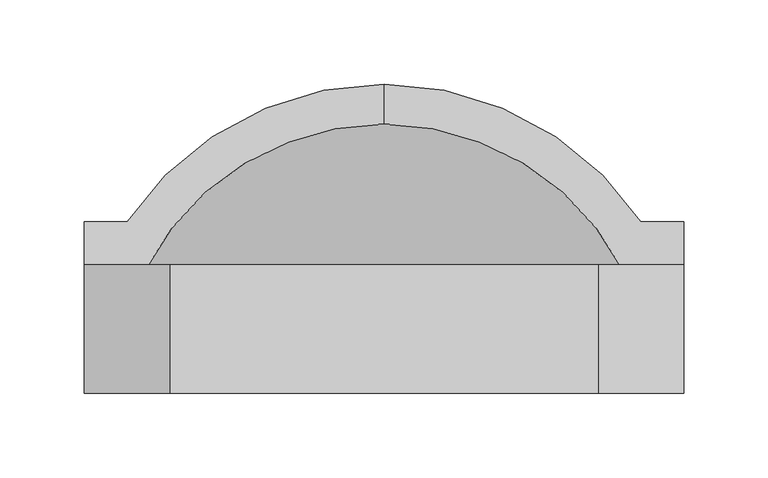
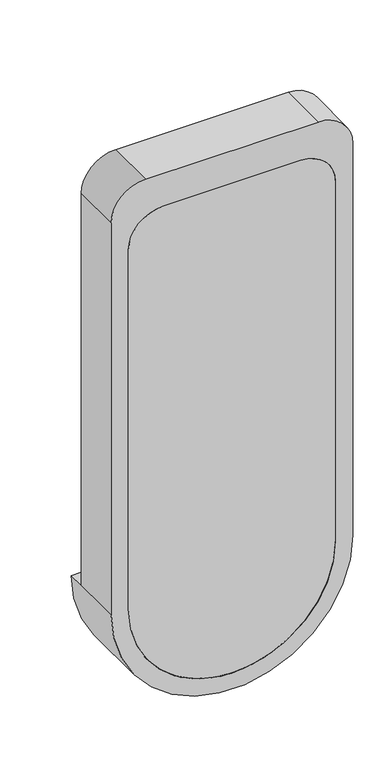
"""IFC4 building model written with IfcOpenShell, lengths in millimetres: flow terminal geometry."""

from ifc_helpers import new_model, si_unit, point, frame, frame_2d, origin, place, context, project, spatial, polyline, circle_curve, ellipse_curve, trimmed, segment, composite_curve, outline, extrude, source, transform, mapped, element, save
from ifc_brep_helpers import plane_surface, cylinder_surface, revolved_surface, advanced_brep


def flow_terminal_01fabb77(model_context):
    return source(origin(), model_context, "Body", "SolidModel", [
        advanced_brep(
        [(-109.0745999, 243.1620048, 610.0), (-109.0745999, 219.4447043, 610.0), (43.3254001, 106.8706063, 610.0), (43.3254001, 136.2, 610.0), (68.7254001, 136.2, 610.0), (68.7254001, 161.6, 610.0), (43.3254001, 161.6, 610.0), (-261.4745999, 161.6, 610.0), (-286.8745999, 161.6, 610.0), (-286.8745999, 136.2, 610.0), (-261.4745999, 136.2, 610.0), (-261.4745999, 106.8706063, 610.0), (-261.4745999, 60.0, 610.0), (43.3254001, 60.0, 610.0), (-286.8745999, 60.0, 610.0), (68.7254001, 60.0, 610.0), (68.7254001, 60.0, 1219.6), (17.9254001, 60.0, 1270.4), (-236.0745999, 60.0, 1270.4), (-286.8745999, 60.0, 1219.6), (-261.4745999, 60.0, 1168.8), (-210.6745999, 60.0, 1219.6), (-7.4745999, 60.0, 1219.6), (43.3254001, 60.0, 1168.8), (43.3254001, 136.2, 1168.8), (-7.4745999, 136.2, 1219.6), (-210.6745999, 136.2, 1219.6), (-261.4745999, 136.2, 1168.8), (-286.8745999, 136.2, 1219.6), (-236.0745999, 136.2, 1270.4), (17.9254001, 136.2, 1270.4), (68.7254001, 136.2, 1219.6)],
        [
            (0, 1),
            (1, 2, circle_curve(frame((-109.0745999, 60.0, 610.0), z_axis=(0.0, 0.0, -1.0), x_axis=(1.0, 0.0, 0.0)), 159.4447043)),
            (2, 3),
            (3, 4),
            (4, 5),
            (5, 6),
            (6, 0, circle_curve(frame((-109.0745999, 60.0, 610.0), z_axis=(0.0, 0.0, 1.0), x_axis=(1.0, 0.0, 0.0)), 183.1620048)),
            (0, 7, circle_curve(frame((-109.0745999, 60.0, 610.0), z_axis=(0.0, 0.0, 1.0), x_axis=(-1.0, 0.0, 0.0)), 183.1620048)),
            (7, 8),
            (8, 9),
            (9, 10),
            (10, 11),
            (11, 1, circle_curve(frame((-109.0745999, 60.0, 610.0), z_axis=(0.0, 0.0, -1.0), x_axis=(-1.0, 0.0, 0.0)), 159.4447043)),
            (11, 2, circle_curve(frame((-109.0745999, 106.8706063, 610.0), z_axis=(0.0, -1.0, 0.0), x_axis=(1.0, 0.0, 0.0)), 152.4)),
            (11, 12),
            (12, 13, circle_curve(frame((-109.0745999, 60.0, 610.0), z_axis=(0.0, -1.0, 0.0), x_axis=(1.0, 0.0, 0.0)), 152.4)),
            (13, 2),
            (14, 15, circle_curve(frame((-109.0745999, 60.0, 610.0), z_axis=(0.0, -1.0, 0.0), x_axis=(1.0, 0.0, 0.0)), 177.8)),
            (15, 16),
            (16, 17, circle_curve(frame((17.9254001, 60.0, 1219.6), z_axis=(0.0, -1.0, 0.0), x_axis=(-1.0, 0.0, 0.0)), 50.8)),
            (17, 18),
            (18, 19, circle_curve(frame((-236.0745999, 60.0, 1219.6), z_axis=(0.0, -1.0, 0.0), x_axis=(-1.0, 0.0, 0.0)), 50.8)),
            (19, 14),
            (12, 20),
            (20, 21, circle_curve(frame((-210.6745999, 60.0, 1168.8), z_axis=(0.0, 1.0, 0.0), x_axis=(-1.0, 0.0, 0.0)), 50.8)),
            (21, 22),
            (22, 23, circle_curve(frame((-7.4745999, 60.0, 1168.8), z_axis=(0.0, 1.0, 0.0), x_axis=(-1.0, 0.0, 0.0)), 50.8)),
            (23, 13),
            (14, 9),
            (8, 5, circle_curve(frame((-109.0745999, 161.6, 610.0), z_axis=(0.0, -1.0, 0.0), x_axis=(1.0, 0.0, 0.0)), 177.8)),
            (4, 15),
            (7, 6, circle_curve(frame((-109.0745999, 161.6, 610.0), z_axis=(0.0, -1.0, 0.0), x_axis=(1.0, 0.0, 0.0)), 152.4)),
            (3, 24),
            (24, 25, circle_curve(frame((-7.4745999, 136.2, 1168.8), z_axis=(0.0, -1.0, 0.0), x_axis=(-1.0, 0.0, 0.0)), 50.8)),
            (25, 26),
            (26, 27, circle_curve(frame((-210.6745999, 136.2, 1168.8), z_axis=(0.0, -1.0, 0.0), x_axis=(-1.0, 0.0, 0.0)), 50.8)),
            (27, 10),
            (9, 28),
            (28, 29, circle_curve(frame((-236.0745999, 136.2, 1219.6), z_axis=(0.0, 1.0, 0.0), x_axis=(-1.0, 0.0, 0.0)), 50.8)),
            (29, 30),
            (30, 31, circle_curve(frame((17.9254001, 136.2, 1219.6), z_axis=(0.0, 1.0, 0.0), x_axis=(-1.0, 0.0, 0.0)), 50.8)),
            (31, 4),
            (23, 24),
            (22, 25),
            (21, 26),
            (20, 27),
            (19, 28),
            (18, 29),
            (17, 30),
            (16, 31),
        ],
        [
            plane_surface(frame((-109.0745999, 349.2104173, 610.0), z_axis=(0.0, 0.0, 1.0), x_axis=(1.0, 0.0, 0.0))),
            plane_surface(frame((-109.0745999, 349.2104173, 610.0), z_axis=(0.0, 0.0, 1.0), x_axis=(-1.0, 0.0, 0.0))),
            revolved_surface(trimmed(ellipse_curve(frame((-109.0745999, 60.0, 610.0), z_axis=(0.0, 0.0, -1.0), x_axis=(1.0, 0.0, 0.0)), 159.4447043, 159.4447043), [point((-109.0745999, 219.4447043, 610.0))], [point((43.3254001, 106.8706063, 610.0))], True, "CARTESIAN"), (-109.0745999, 349.2104173, 610.0), (0.0, 1.0, 0.0)),
            revolved_surface(polyline([(43.32540010000001, 106.87060630000002, 610.0), (43.32540010000001, 60.0, 610.0)]), (-109.0745999, 349.2104173, 610.0), (0.0, 1.0, 0.0)),
            plane_surface(frame((-109.0745999, 60.0, 610.0), z_axis=(0.0, -1.0, 0.0), x_axis=(1.0, 0.0, 0.0))),
            cylinder_surface(frame((-109.0745999, 349.2104173, 610.0), z_axis=(0.0, 1.0, 0.0), x_axis=(1.0, 0.0, 0.0)), 177.8),
            plane_surface(frame((-109.0745999, 161.6, 610.0), z_axis=(0.0, 1.0, 0.0), x_axis=(1.0, 0.0, 0.0))),
            revolved_surface(trimmed(ellipse_curve(frame((-109.0745999, 60.0, 610.0), z_axis=(0.0, 0.0, 1.0), x_axis=(1.0, 0.0, 0.0)), 183.1620048, 183.1620048), [point((43.3254001, 161.6, 610.0))], [point((-109.0745999, 243.1620048, 610.0))], True, "CARTESIAN"), (-109.0745999, 349.2104173, 610.0), (0.0, 1.0, 0.0)),
            plane_surface(frame((43.3254001, 136.2, 610.0), z_axis=(0.0, 1.0, 0.0), x_axis=(0.0, 0.0, 1.0))),
            plane_surface(frame((43.3254001, 136.2, 610.0), z_axis=(-1.0, 0.0, 0.0), x_axis=(0.0, -1.0, 0.0))),
            revolved_surface(polyline([(-58.2745999, 60.0, 1168.8), (-58.2745999, 136.2, 1168.8)]), (-7.4745999, 60.0, 1168.8), (0.0, -1.0, 0.0)),
            plane_surface(frame((-7.4745999, 136.2, 1219.6), z_axis=(0.0, 0.0, -1.0), x_axis=(0.0, -1.0, 0.0))),
            revolved_surface(polyline([(-261.4745999, 60.0, 1168.8), (-261.4745999, 136.2, 1168.8)]), (-210.6745999, 60.0, 1168.8), (0.0, -1.0, 0.0)),
            plane_surface(frame((-261.4745999, 136.2, 1168.8), z_axis=(1.0, 0.0, 0.0), x_axis=(0.0, -1.0, 0.0))),
            plane_surface(frame((-286.8745999, 136.2, 610.0), z_axis=(-1.0, 0.0, 0.0), x_axis=(0.0, -1.0, 0.0))),
            cylinder_surface(frame((-236.0745999, 60.0, 1219.6), z_axis=(0.0, 1.0, 0.0), x_axis=(-1.0, 0.0, 0.0)), 50.8),
            plane_surface(frame((-236.0745999, 136.2, 1270.4), z_axis=(0.0, 0.0, 1.0), x_axis=(0.0, -1.0, 0.0))),
            cylinder_surface(frame((17.9254001, 60.0, 1219.6), z_axis=(0.0, 1.0, 0.0), x_axis=(-1.0, 0.0, 0.0)), 50.8),
            plane_surface(frame((68.7254001, 136.2, 1219.6), z_axis=(1.0, 0.0, 0.0), x_axis=(0.0, -1.0, 0.0))),
        ],
        [
            (0, [[1, 2, 3, 4, 5, 6, 7]]),
            (1, [[-1, 8, 9, 10, 11, 12, 13]]),
            (2, [[-2, -13, 14]]),
            (3, [[-14, 15, 16, 17]]),
            (4, [[18, 19, 20, 21, 22, 23], [-16, 24, 25, 26, 27, 28]]),
            (5, [[-18, 29, -10, 30, -5, 31]]),
            (6, [[-6, -30, -9, 32]]),
            (7, [[-7, -32, -8]]),
            (8, [[33, 34, 35, 36, 37, -11, 38, 39, 40, 41, 42, -4]]),
            (9, [[-33, -3, -17, -28, 43]]),
            (10, [[-34, -43, -27, 44]]),
            (11, [[-35, -44, -26, 45]]),
            (12, [[-36, -45, -25, 46]]),
            (13, [[-37, -46, -24, -15, -12]]),
            (14, [[-38, -29, -23, 47]]),
            (15, [[-39, -47, -22, 48]]),
            (16, [[-40, -48, -21, 49]]),
            (17, [[-41, -49, -20, 50]]),
            (18, [[-42, -50, -19, -31]]),
        ],
    ),
        extrude(outline(composite_curve([segment(trimmed(circle_curve(frame_2d((1168.8, -7.4745999)), 50.8), [point((1168.8, 43.3254001))], [point((1219.6, -7.4745999))], False, "CARTESIAN"), True, "CONTINUOUS"), segment(polyline([(1219.6, -7.4745999), (1219.6, -210.6745999)]), True, "CONTINUOUS"), segment(trimmed(circle_curve(frame_2d((1168.8, -210.6745999)), 50.8), [point((1219.6, -210.6745999))], [point((1168.8, -261.4745999))], False, "CARTESIAN"), True, "CONTINUOUS"), segment(polyline([(1168.8, -261.4745999), (610.0, -261.4745999)]), True, "CONTINUOUS"), segment(trimmed(circle_curve(frame_2d((610.0, -109.0745999)), 152.4), [point((610.0, -261.4745999))], [point((610.0, 43.3254001))], False, "CARTESIAN"), True, "CONTINUOUS"), segment(polyline([(610.0, 43.3254001), (1168.8, 43.3254001)]), True, "CONTINUOUS")], self_intersect=False)), frame((0.0, 60.0, 0.0), z_axis=(0.0, 1.0, 0.0), x_axis=(0.0, 0.0, 1.0)), (0.0, 0.0, 1.0), 12.7),
    ])


if __name__ == "__main__":
    model = new_model("IFC4")
    model_context = context("Model", 3, world=origin())
    ifc_project = project(units=[si_unit("LENGTHUNIT", "METRE", prefix="MILLI")], contexts=[model_context])
    site = spatial("IfcSite", under=ifc_project)
    building = spatial("IfcBuilding", under=site)
    placement = place(None, origin())
    flow_terminal_shape = flow_terminal_01fabb77(model_context)
    element("IfcFlowTerminal", 1, at=placement, inside=building, context=model_context, shape_type="MappedRepresentation", body=[
        mapped(flow_terminal_shape, transform((0.0, 0.0, 0.0), x_axis=(1.0, 0.0, 0.0), y_axis=(0.0, 1.0, 0.0), z_axis=(0.0, 0.0, 1.0))),
    ])
    save(model, "model.ifc")
